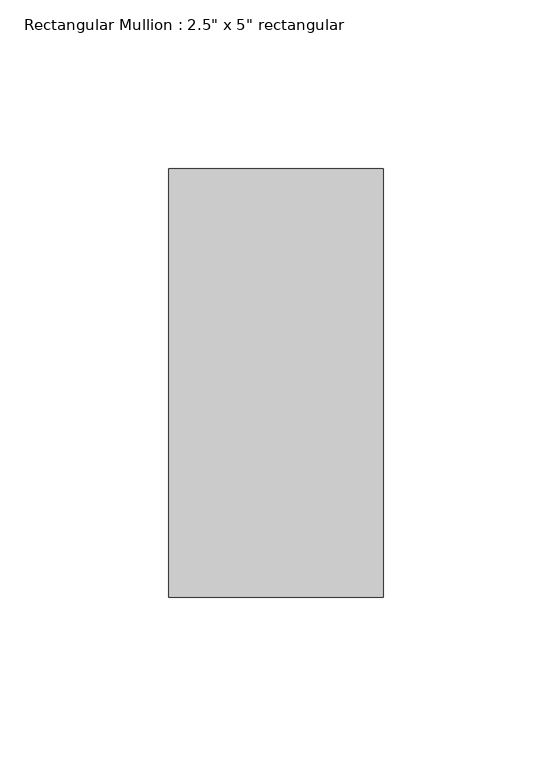
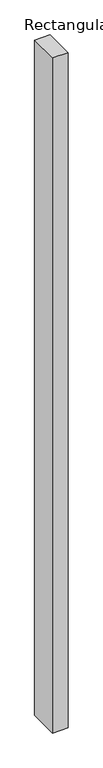
"""IFC4 building model written with IfcOpenShell, lengths in millimetres: member geometry."""

from ifc_helpers import new_model, si_unit, frame, origin, place, context, project, spatial, polyline, outline, extrude, source, transform, mapped, element, save


def member_1757934b(model_context):
    return source(origin(), model_context, "Body", "SweptSolid", [
        extrude(outline(polyline([(0.0, 63.5), (0.0, -63.5), (-63.5, -63.5), (-63.5, 63.5), (0.0, 63.5)])), frame((0.0, 0.0, -2928.2950403), z_axis=(0.0, 0.0, 1.0), x_axis=(1.0, 0.0, 0.0)), (0.0, 0.0, 1.0), 2928.2950403),
    ])


if __name__ == "__main__":
    model = new_model("IFC4")
    model_context = context("Model", 3, world=origin())
    ifc_project = project(units=[si_unit("LENGTHUNIT", "METRE", prefix="MILLI")], contexts=[model_context])
    site = spatial("IfcSite", under=ifc_project)
    building = spatial("IfcBuilding", under=site)
    placement = place(None, origin())
    member_shape = member_1757934b(model_context)
    element("IfcMember", 1, ObjectType="Rectangular Mullion : 2.5\" x 5\" rectangular", at=placement, inside=building, context=model_context, shape_type="MappedRepresentation", body=[
        mapped(member_shape, transform((0.0, 0.0, 0.0), x_axis=(1.0, 0.0, 0.0), y_axis=(0.0, 1.0, 0.0), z_axis=(0.0, 0.0, 1.0))),
    ])
    save(model, "model.ifc")
